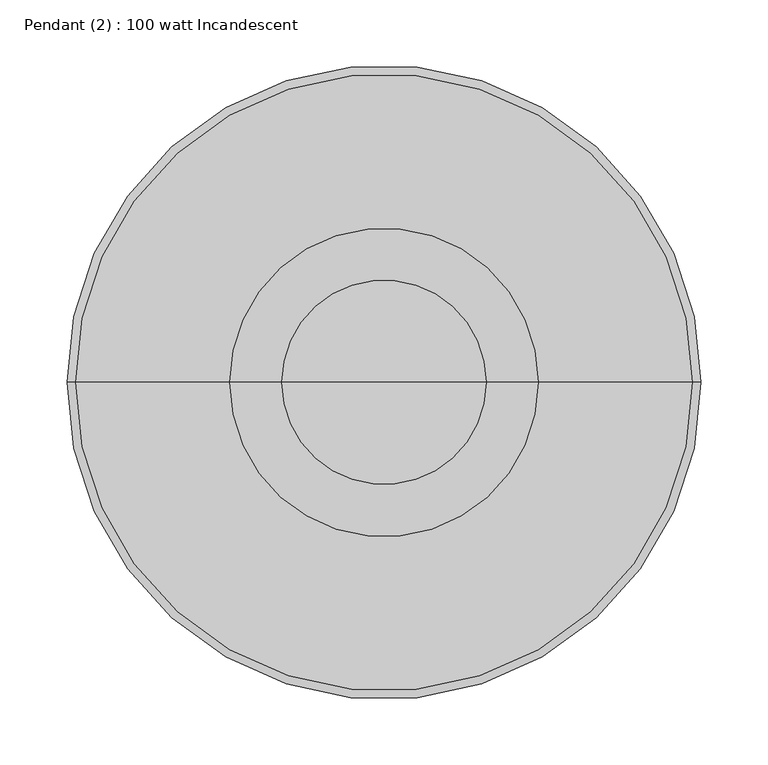
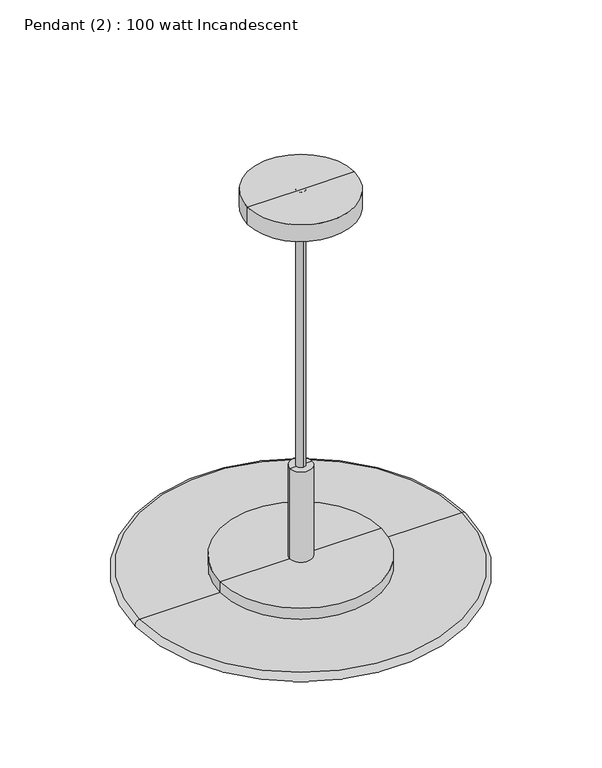
"""IFC4 building model written with IfcOpenShell, lengths in millimetres: light fixture geometry, Pendant (2) : 100 watt Incandescent."""

from ifc_helpers import new_model, si_unit, point, frame, origin, origin_2d, place, context, project, spatial, polyline, circle_curve, ellipse_curve, trimmed, segment, composite_curve, outline, extrude, source, transform, mapped, element, save
from ifc_brep_helpers import plane_surface, cylinder_surface, revolved_surface, advanced_brep


def pendant_2_100_watt_incandescent_57e6b641(model_context):
    return source(origin(), model_context, "Body", "SolidModel", [
        advanced_brep(
        [(76.2, 0.0, 2413.0000062), (76.2, 0.0, 2438.4000062), (-76.2, 0.0, 2438.4000062), (-76.2, 0.0, 2413.0000062), (0.0, 0.0, 2377.4673627), (0.0, 0.0, 2438.4000062)],
        [
            (0, 1),
            (1, 2, circle_curve(frame((0.0, 0.0, 2438.4000062), z_axis=(0.0, 0.0, -1.0), x_axis=(-1.0, 0.0, 0.0)), 76.2)),
            (2, 3),
            (3, 0, circle_curve(frame((0.0, 0.0, 2413.0000062), z_axis=(0.0, 0.0, 1.0), x_axis=(-1.0, 0.0, 0.0)), 76.2)),
            (2, 1, circle_curve(frame((0.0, 0.0, 2438.4000062), z_axis=(0.0, 0.0, -1.0), x_axis=(-1.0, 0.0, 0.0)), 76.2)),
            (0, 3, circle_curve(frame((0.0, 0.0, 2413.0000062), z_axis=(0.0, 0.0, 1.0), x_axis=(-1.0, 0.0, 0.0)), 76.2)),
            (4, 0),
            (3, 4),
            (1, 5),
            (5, 2),
        ],
        [
            cylinder_surface(frame((0.0, 0.0, 2514.6000062), z_axis=(0.0, 0.0, -1.0), x_axis=(-1.0, 0.0, 0.0)), 76.2),
            revolved_surface(polyline([(-76.2, 0.0, 2413.0000062), (0.0, 0.0, 2377.4673627)]), (0.0, 0.0, 2514.6000062), (0.0, 0.0, -1.0)),
            plane_surface(frame((0.0, 0.0, 2438.4000062), z_axis=(0.0, 0.0, 1.0), x_axis=(-1.0, 0.0, 0.0))),
        ],
        [
            (0, [[1, 2, 3, 4]]),
            (0, [[-3, 5, -1, 6]]),
            (1, [[7, -4, 8]]),
            (1, [[-8, -6, -7]]),
            (2, [[9, 10, -2]]),
            (2, [[-10, -9, -5]]),
        ],
    ),
        advanced_brep(
        [(15.875, 0.0, 1886.475253), (15.875, 0.0, 2022.55), (-15.875, 0.0, 2022.55), (-15.875, 0.0, 1886.475253), (115.0, 0.0, 1886.475253), (-115.0, 0.0, 1886.475253), (115.0, 0.0, 1851.1000062), (-115.0, 0.0, 1851.1000062), (38.1, 0.0, 1851.1000062), (-38.1, 0.0, 1851.1000062), (38.1, 0.0, 1870.15), (-38.1, 0.0, 1870.15), (0.0, 0.0, 1870.15), (0.0, 0.0, 2022.55)],
        [
            (0, 1),
            (1, 2, circle_curve(frame((0.0, 0.0, 2022.55), z_axis=(0.0, 0.0, -1.0), x_axis=(-1.0, 0.0, 0.0)), 15.875)),
            (2, 3),
            (3, 0, circle_curve(frame((0.0, 0.0, 1886.475253), z_axis=(0.0, 0.0, 1.0), x_axis=(-1.0, 0.0, 0.0)), 15.875)),
            (2, 1, circle_curve(frame((0.0, 0.0, 2022.55), z_axis=(0.0, 0.0, -1.0), x_axis=(-1.0, 0.0, 0.0)), 15.875)),
            (0, 3, circle_curve(frame((0.0, 0.0, 1886.475253), z_axis=(0.0, 0.0, 1.0), x_axis=(-1.0, 0.0, 0.0)), 15.875)),
            (4, 0),
            (3, 5),
            (5, 4, circle_curve(frame((0.0, 0.0, 1886.475253), z_axis=(0.0, 0.0, 1.0), x_axis=(-1.0, 0.0, 0.0)), 115.0)),
            (4, 5, circle_curve(frame((0.0, 0.0, 1886.475253), z_axis=(0.0, 0.0, 1.0), x_axis=(-1.0, 0.0, 0.0)), 115.0)),
            (6, 4),
            (5, 7),
            (7, 6, circle_curve(frame((0.0, 0.0, 1851.1000062), z_axis=(0.0, 0.0, 1.0), x_axis=(-1.0, 0.0, 0.0)), 115.0)),
            (6, 7, circle_curve(frame((0.0, 0.0, 1851.1000062), z_axis=(0.0, 0.0, 1.0), x_axis=(-1.0, 0.0, 0.0)), 115.0)),
            (8, 6),
            (7, 9),
            (9, 8, circle_curve(frame((0.0, 0.0, 1851.1000062), z_axis=(0.0, 0.0, 1.0), x_axis=(-1.0, 0.0, 0.0)), 38.1)),
            (8, 9, circle_curve(frame((0.0, 0.0, 1851.1000062), z_axis=(0.0, 0.0, 1.0), x_axis=(-1.0, 0.0, 0.0)), 38.1)),
            (10, 8),
            (9, 11),
            (11, 10, circle_curve(frame((0.0, 0.0, 1870.15), z_axis=(0.0, 0.0, 1.0), x_axis=(-1.0, 0.0, 0.0)), 38.1)),
            (10, 11, circle_curve(frame((0.0, 0.0, 1870.15), z_axis=(0.0, 0.0, 1.0), x_axis=(-1.0, 0.0, 0.0)), 38.1)),
            (12, 10),
            (11, 12),
            (1, 13),
            (13, 2),
        ],
        [
            cylinder_surface(frame((0.0, 0.0, 2046.6629221), z_axis=(0.0, 0.0, -1.0), x_axis=(-1.0, 0.0, 0.0)), 15.875),
            plane_surface(frame((0.0, 0.0, 1886.475253), z_axis=(0.0, 0.0, 1.0), x_axis=(-1.0, 0.0, 0.0))),
            cylinder_surface(frame((0.0, 0.0, 2046.6629221), z_axis=(0.0, 0.0, -1.0), x_axis=(-1.0, 0.0, 0.0)), 115.0),
            plane_surface(frame((0.0, 0.0, 1851.1000062), z_axis=(0.0, 0.0, -1.0), x_axis=(-1.0, 0.0, 0.0))),
            revolved_surface(polyline([(-38.1, 0.0, 1851.1000062), (-38.1, 0.0, 1870.15)]), (0.0, 0.0, 2046.6629221), (0.0, 0.0, -1.0)),
            plane_surface(frame((0.0, 0.0, 1870.15), z_axis=(0.0, 0.0, -1.0), x_axis=(-1.0, 0.0, 0.0))),
            plane_surface(frame((0.0, 0.0, 2022.55), z_axis=(0.0, 0.0, 1.0), x_axis=(-1.0, 0.0, 0.0))),
        ],
        [
            (0, [[1, 2, 3, 4]]),
            (0, [[-3, 5, -1, 6]]),
            (1, [[7, -4, 8, 9]]),
            (1, [[-8, -6, -7, 10]]),
            (2, [[11, -9, 12, 13]]),
            (2, [[-12, -10, -11, 14]]),
            (3, [[15, -13, 16, 17]]),
            (3, [[-16, -14, -15, 18]]),
            (4, [[19, -17, 20, 21]]),
            (4, [[-20, -18, -19, 22]]),
            (5, [[23, -21, 24]]),
            (5, [[-24, -22, -23]]),
            (6, [[25, 26, -2]]),
            (6, [[-26, -25, -5]]),
        ],
    ),
        extrude(outline(composite_curve([segment(trimmed(circle_curve(origin_2d(), 6.35), [point((0.0, -6.35))], [point((0.0, 6.35))], False, "CARTESIAN"), True, "CONTINUOUS"), segment(trimmed(circle_curve(origin_2d(), 6.35), [point((0.0, 6.35))], [point((0.0, -6.35))], False, "CARTESIAN"), True, "CONTINUOUS")], self_intersect=False)), frame((0.0, 0.0, 1851.1000062), z_axis=(0.0, 0.0, 1.0), x_axis=(1.0, 0.0, 0.0)), (0.0, 0.0, 1.0), 587.3),
        advanced_brep(
        [(0.0, 0.0, 1857.45), (230.0, 0.0, 1857.45), (-230.0, 0.0, 1857.45), (230.0, 0.0, 1870.15), (0.0, 0.0, 1870.15), (-230.0, 0.0, 1870.15)],
        [
            (0, 1),
            (1, 2, circle_curve(frame((0.0, 0.0, 1857.45), z_axis=(0.0, 0.0, -1.0), x_axis=(-1.0, 0.0, 0.0)), 230.0)),
            (2, 0),
            (2, 1, circle_curve(frame((0.0, 0.0, 1857.45), z_axis=(0.0, 0.0, -1.0), x_axis=(-1.0, 0.0, 0.0)), 230.0)),
            (3, 4),
            (4, 5),
            (5, 3, circle_curve(frame((0.0, 0.0, 1870.15), z_axis=(0.0, 0.0, 1.0), x_axis=(-1.0, 0.0, 0.0)), 230.0)),
            (3, 5, circle_curve(frame((0.0, 0.0, 1870.15), z_axis=(0.0, 0.0, 1.0), x_axis=(-1.0, 0.0, 0.0)), 230.0)),
            (1, 3, circle_curve(frame((230.0, 0.0, 1863.8), z_axis=(0.0, -1.0, 0.0), x_axis=(0.0, 0.0, -1.0)), 6.35)),
            (5, 2, circle_curve(frame((-230.0, 0.0, 1863.8), z_axis=(0.0, -1.0, 0.0), x_axis=(0.0, 0.0, -1.0)), 6.35)),
        ],
        [
            plane_surface(frame((0.0, 0.0, 1857.45), z_axis=(0.0, 0.0, -1.0), x_axis=(-1.0, 0.0, 0.0))),
            plane_surface(frame((0.0, 0.0, 1870.15), z_axis=(0.0, 0.0, 1.0), x_axis=(-1.0, 0.0, 0.0))),
            revolved_surface(trimmed(ellipse_curve(frame((-230.0, 0.0, 1863.8), z_axis=(0.0, -1.0, 0.0), x_axis=(0.0, 0.0, -1.0)), 6.35, 6.35), [point((-230.0, 0.0, 1870.15))], [point((-230.0, 0.0, 1857.45))], True, "CARTESIAN"), (0.0, 0.0, 1935.2510876), (0.0, 0.0, -1.0)),
        ],
        [
            (0, [[1, 2, 3]]),
            (0, [[-3, 4, -1]]),
            (1, [[5, 6, 7]]),
            (1, [[-6, -5, 8]]),
            (2, [[9, -7, 10, -2]]),
            (2, [[-10, -8, -9, -4]]),
        ],
    ),
    ])


if __name__ == "__main__":
    model = new_model("IFC4")
    model_context = context("Model", 3, world=origin())
    ifc_project = project(units=[si_unit("LENGTHUNIT", "METRE", prefix="MILLI")], contexts=[model_context])
    site = spatial("IfcSite", under=ifc_project)
    building = spatial("IfcBuilding", under=site)
    placement = place(None, origin())
    pendant_2_100_watt_incandescent_shape = pendant_2_100_watt_incandescent_57e6b641(model_context)
    element("IfcLightFixture", 1, ObjectType="Pendant (2) : 100 watt Incandescent", at=placement, inside=building, context=model_context, shape_type="MappedRepresentation", body=[
        mapped(pendant_2_100_watt_incandescent_shape, transform((0.0, 0.0, 0.0), x_axis=(1.0, 0.0, 0.0), y_axis=(0.0, 1.0, 0.0), z_axis=(0.0, 0.0, 1.0))),
    ])
    save(model, "model.ifc")
